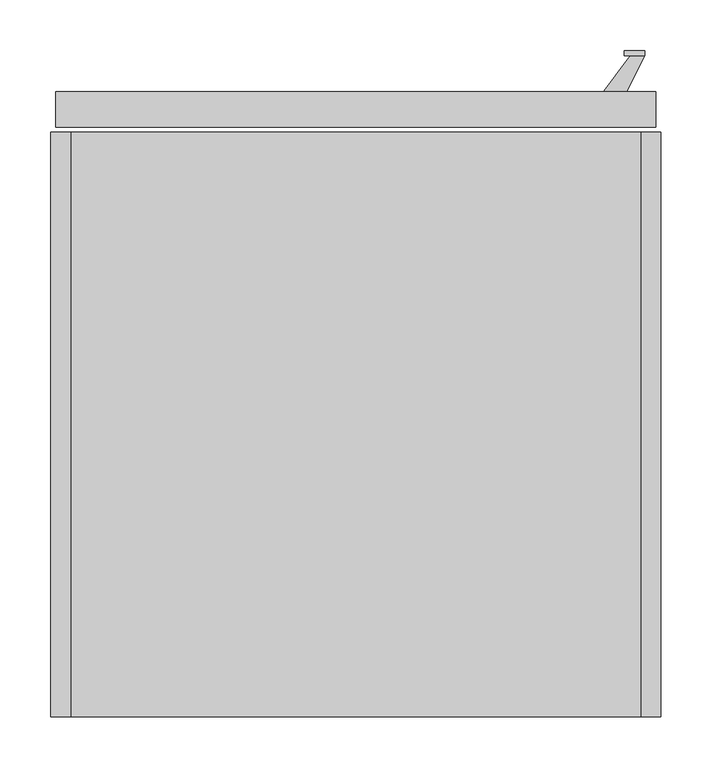
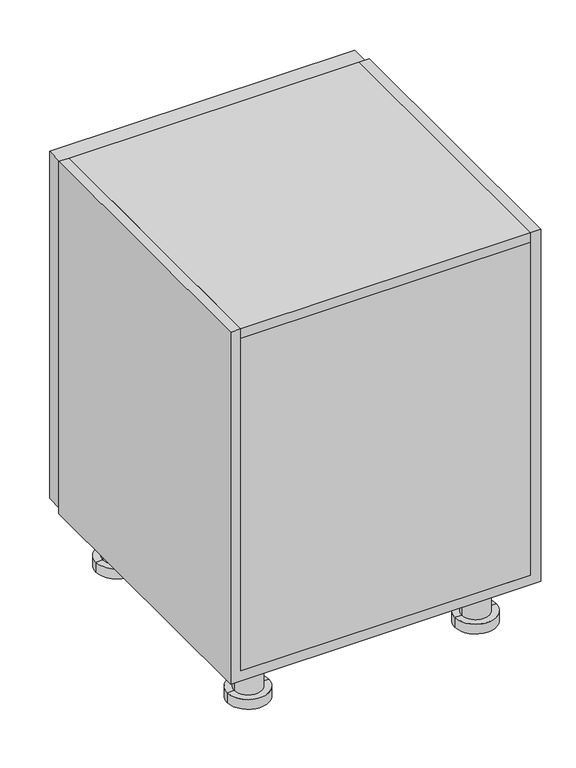
"""IFC4 building model written with IfcOpenShell, lengths in millimetres: furniture geometry."""

from ifc_helpers import new_model, si_unit, frame, origin, place, context, project, spatial, polyline, circle_curve, outline, extrude, faceted_brep, source, transform, mapped, element, save
from ifc_brep_helpers import plane_surface, cylinder_surface, advanced_brep


def furniture_c9ca77d0(model_context):
    return source(origin(), model_context, "Body", "SolidModel", [
        extrude(outline(polyline([(540.0, 610.0), (570.0, 650.2555661), (584.1369396, 650.2555661), (564.1369396, 610.0), (540.0, 610.0)])), frame((0.0, 0.0, 299.0), z_axis=(0.0, 0.0, 1.0), x_axis=(1.0, 0.0, 0.0)), (0.0, 0.0, 1.0), 12.0),
        extrude(outline(polyline([(540.0, 610.0), (570.0, 650.2555661), (584.1369396, 650.2555661), (564.1369396, 610.0), (540.0, 610.0)])), frame((0.0, 0.0, 409.0), z_axis=(0.0, 0.0, 1.0), x_axis=(1.0, 0.0, 0.0)), (0.0, 0.0, 1.0), 12.0),
        extrude(outline(polyline([(584.1369396, 655.2555661), (584.1369396, 650.2555661), (564.1369396, 650.2555661), (564.1369396, 655.2555661), (584.1369396, 655.2555661)])), frame((0.0, 0.0, 280.0), z_axis=(0.0, 0.0, 1.0), x_axis=(1.0, 0.0, 0.0)), (0.0, 0.0, 1.0), 160.0),
        advanced_brep(
        [(120.0, 520.0, 0.0), (40.0, 520.0, 0.0), (80.0, 520.0, 0.0), (120.0, 520.0, -20.0), (40.0, 520.0, -20.0), (106.6666667, 520.0, -20.0), (53.3333333, 520.0, -20.0), (106.6666667, 520.0, -80.0), (53.3333333, 520.0, -80.0), (120.0, 520.0, -80.0), (40.0, 520.0, -80.0), (120.0, 520.0, -100.0), (40.0, 520.0, -100.0), (80.0, 520.0, -100.0)],
        [
            (0, 1, circle_curve(frame((80.0, 520.0, 0.0), z_axis=(0.0, 0.0, 1.0), x_axis=(-1.0, 0.0, 0.0)), 40.0)),
            (1, 2),
            (2, 0),
            (1, 0, circle_curve(frame((80.0, 520.0, 0.0), z_axis=(0.0, 0.0, 1.0), x_axis=(-1.0, 0.0, 0.0)), 40.0)),
            (3, 4, circle_curve(frame((80.0, 520.0, -20.0), z_axis=(0.0, 0.0, 1.0), x_axis=(-1.0, 0.0, 0.0)), 40.0)),
            (4, 1),
            (0, 3),
            (4, 3, circle_curve(frame((80.0, 520.0, -20.0), z_axis=(0.0, 0.0, 1.0), x_axis=(-1.0, 0.0, 0.0)), 40.0)),
            (5, 6, circle_curve(frame((80.0, 520.0, -20.0), z_axis=(0.0, 0.0, 1.0), x_axis=(-1.0, 0.0, 0.0)), 26.6666667)),
            (6, 4),
            (3, 5),
            (6, 5, circle_curve(frame((80.0, 520.0, -20.0), z_axis=(0.0, 0.0, 1.0), x_axis=(-1.0, 0.0, 0.0)), 26.6666667)),
            (7, 8, circle_curve(frame((80.0, 520.0, -80.0), z_axis=(0.0, 0.0, 1.0), x_axis=(-1.0, 0.0, 0.0)), 26.6666667)),
            (8, 6),
            (5, 7),
            (8, 7, circle_curve(frame((80.0, 520.0, -80.0), z_axis=(0.0, 0.0, 1.0), x_axis=(-1.0, 0.0, 0.0)), 26.6666667)),
            (9, 10, circle_curve(frame((80.0, 520.0, -80.0), z_axis=(0.0, 0.0, 1.0), x_axis=(-1.0, 0.0, 0.0)), 40.0)),
            (10, 8),
            (7, 9),
            (10, 9, circle_curve(frame((80.0, 520.0, -80.0), z_axis=(0.0, 0.0, 1.0), x_axis=(-1.0, 0.0, 0.0)), 40.0)),
            (11, 12, circle_curve(frame((80.0, 520.0, -100.0), z_axis=(0.0, 0.0, 1.0), x_axis=(-1.0, 0.0, 0.0)), 40.0)),
            (12, 10),
            (9, 11),
            (12, 11, circle_curve(frame((80.0, 520.0, -100.0), z_axis=(0.0, 0.0, 1.0), x_axis=(-1.0, 0.0, 0.0)), 40.0)),
            (13, 12),
            (11, 13),
        ],
        [
            plane_surface(frame((80.0, 520.0, 0.0), z_axis=(0.0, 0.0, 1.0), x_axis=(-1.0, 0.0, 0.0))),
            cylinder_surface(frame((80.0, 520.0, -135.0), z_axis=(0.0, 0.0, -1.0), x_axis=(-1.0, 0.0, 0.0)), 40.0),
            plane_surface(frame((80.0, 520.0, -20.0), z_axis=(0.0, 0.0, -1.0), x_axis=(-1.0, 0.0, 0.0))),
            cylinder_surface(frame((80.0, 520.0, -135.0), z_axis=(0.0, 0.0, -1.0), x_axis=(-1.0, 0.0, 0.0)), 26.6666667),
            plane_surface(frame((80.0, 520.0, -80.0), z_axis=(0.0, 0.0, 1.0), x_axis=(-1.0, 0.0, 0.0))),
            plane_surface(frame((80.0, 520.0, -100.0), z_axis=(0.0, 0.0, -1.0), x_axis=(-1.0, 0.0, 0.0))),
        ],
        [
            (0, [[1, 2, 3]]),
            (0, [[4, -3, -2]]),
            (1, [[5, 6, -1, 7]]),
            (1, [[8, -7, -4, -6]]),
            (2, [[9, 10, -5, 11]]),
            (2, [[12, -11, -8, -10]]),
            (3, [[13, 14, -9, 15]]),
            (3, [[16, -15, -12, -14]]),
            (4, [[17, 18, -13, 19]]),
            (4, [[20, -19, -16, -18]]),
            (1, [[21, 22, -17, 23]]),
            (1, [[24, -23, -20, -22]]),
            (5, [[25, -21, 26]]),
            (5, [[-26, -24, -25]]),
        ],
    ),
        advanced_brep(
        [(560.0, 520.0, 0.0), (480.0, 520.0, 0.0), (520.0, 520.0, 0.0), (560.0, 520.0, -20.0), (480.0, 520.0, -20.0), (546.6666667, 520.0, -20.0), (493.3333333, 520.0, -20.0), (546.6666667, 520.0, -80.0), (493.3333333, 520.0, -80.0), (560.0, 520.0, -80.0), (480.0, 520.0, -80.0), (560.0, 520.0, -100.0), (480.0, 520.0, -100.0), (520.0, 520.0, -100.0)],
        [
            (0, 1, circle_curve(frame((520.0, 520.0, 0.0), z_axis=(0.0, 0.0, 1.0), x_axis=(-1.0, 0.0, 0.0)), 40.0)),
            (1, 2),
            (2, 0),
            (1, 0, circle_curve(frame((520.0, 520.0, 0.0), z_axis=(0.0, 0.0, 1.0), x_axis=(-1.0, 0.0, 0.0)), 40.0)),
            (3, 4, circle_curve(frame((520.0, 520.0, -20.0), z_axis=(0.0, 0.0, 1.0), x_axis=(-1.0, 0.0, 0.0)), 40.0)),
            (4, 1),
            (0, 3),
            (4, 3, circle_curve(frame((520.0, 520.0, -20.0), z_axis=(0.0, 0.0, 1.0), x_axis=(-1.0, 0.0, 0.0)), 40.0)),
            (5, 6, circle_curve(frame((520.0, 520.0, -20.0), z_axis=(0.0, 0.0, 1.0), x_axis=(-1.0, 0.0, 0.0)), 26.6666667)),
            (6, 4),
            (3, 5),
            (6, 5, circle_curve(frame((520.0, 520.0, -20.0), z_axis=(0.0, 0.0, 1.0), x_axis=(-1.0, 0.0, 0.0)), 26.6666667)),
            (7, 8, circle_curve(frame((520.0, 520.0, -80.0), z_axis=(0.0, 0.0, 1.0), x_axis=(-1.0, 0.0, 0.0)), 26.6666667)),
            (8, 6),
            (5, 7),
            (8, 7, circle_curve(frame((520.0, 520.0, -80.0), z_axis=(0.0, 0.0, 1.0), x_axis=(-1.0, 0.0, 0.0)), 26.6666667)),
            (9, 10, circle_curve(frame((520.0, 520.0, -80.0), z_axis=(0.0, 0.0, 1.0), x_axis=(-1.0, 0.0, 0.0)), 40.0)),
            (10, 8),
            (7, 9),
            (10, 9, circle_curve(frame((520.0, 520.0, -80.0), z_axis=(0.0, 0.0, 1.0), x_axis=(-1.0, 0.0, 0.0)), 40.0)),
            (11, 12, circle_curve(frame((520.0, 520.0, -100.0), z_axis=(0.0, 0.0, 1.0), x_axis=(-1.0, 0.0, 0.0)), 40.0)),
            (12, 10),
            (9, 11),
            (12, 11, circle_curve(frame((520.0, 520.0, -100.0), z_axis=(0.0, 0.0, 1.0), x_axis=(-1.0, 0.0, 0.0)), 40.0)),
            (13, 12),
            (11, 13),
        ],
        [
            plane_surface(frame((520.0, 520.0, 0.0), z_axis=(0.0, 0.0, 1.0), x_axis=(-1.0, 0.0, 0.0))),
            cylinder_surface(frame((520.0, 520.0, -135.0), z_axis=(0.0, 0.0, -1.0), x_axis=(-1.0, 0.0, 0.0)), 40.0),
            plane_surface(frame((520.0, 520.0, -20.0), z_axis=(0.0, 0.0, -1.0), x_axis=(-1.0, 0.0, 0.0))),
            cylinder_surface(frame((520.0, 520.0, -135.0), z_axis=(0.0, 0.0, -1.0), x_axis=(-1.0, 0.0, 0.0)), 26.6666667),
            plane_surface(frame((520.0, 520.0, -80.0), z_axis=(0.0, 0.0, 1.0), x_axis=(-1.0, 0.0, 0.0))),
            plane_surface(frame((520.0, 520.0, -100.0), z_axis=(0.0, 0.0, -1.0), x_axis=(-1.0, 0.0, 0.0))),
        ],
        [
            (0, [[1, 2, 3]]),
            (0, [[4, -3, -2]]),
            (1, [[5, 6, -1, 7]]),
            (1, [[8, -7, -4, -6]]),
            (2, [[9, 10, -5, 11]]),
            (2, [[12, -11, -8, -10]]),
            (3, [[13, 14, -9, 15]]),
            (3, [[16, -15, -12, -14]]),
            (4, [[17, 18, -13, 19]]),
            (4, [[20, -19, -16, -18]]),
            (1, [[21, 22, -17, 23]]),
            (1, [[24, -23, -20, -22]]),
            (5, [[25, -21, 26]]),
            (5, [[-26, -24, -25]]),
        ],
    ),
        advanced_brep(
        [(120.0, 80.0, 0.0), (40.0, 80.0, 0.0), (80.0, 80.0, 0.0), (120.0, 80.0, -20.0), (40.0, 80.0, -20.0), (106.6666667, 80.0, -20.0), (53.3333333, 80.0, -20.0), (106.6666667, 80.0, -80.0), (53.3333333, 80.0, -80.0), (120.0, 80.0, -80.0), (40.0, 80.0, -80.0), (120.0, 80.0, -100.0), (40.0, 80.0, -100.0), (80.0, 80.0, -100.0)],
        [
            (0, 1, circle_curve(frame((80.0, 80.0, 0.0), z_axis=(0.0, 0.0, 1.0), x_axis=(-1.0, 0.0, 0.0)), 40.0)),
            (1, 2),
            (2, 0),
            (1, 0, circle_curve(frame((80.0, 80.0, 0.0), z_axis=(0.0, 0.0, 1.0), x_axis=(-1.0, 0.0, 0.0)), 40.0)),
            (3, 4, circle_curve(frame((80.0, 80.0, -20.0), z_axis=(0.0, 0.0, 1.0), x_axis=(-1.0, 0.0, 0.0)), 40.0)),
            (4, 1),
            (0, 3),
            (4, 3, circle_curve(frame((80.0, 80.0, -20.0), z_axis=(0.0, 0.0, 1.0), x_axis=(-1.0, 0.0, 0.0)), 40.0)),
            (5, 6, circle_curve(frame((80.0, 80.0, -20.0), z_axis=(0.0, 0.0, 1.0), x_axis=(-1.0, 0.0, 0.0)), 26.6666667)),
            (6, 4),
            (3, 5),
            (6, 5, circle_curve(frame((80.0, 80.0, -20.0), z_axis=(0.0, 0.0, 1.0), x_axis=(-1.0, 0.0, 0.0)), 26.6666667)),
            (7, 8, circle_curve(frame((80.0, 80.0, -80.0), z_axis=(0.0, 0.0, 1.0), x_axis=(-1.0, 0.0, 0.0)), 26.6666667)),
            (8, 6),
            (5, 7),
            (8, 7, circle_curve(frame((80.0, 80.0, -80.0), z_axis=(0.0, 0.0, 1.0), x_axis=(-1.0, 0.0, 0.0)), 26.6666667)),
            (9, 10, circle_curve(frame((80.0, 80.0, -80.0), z_axis=(0.0, 0.0, 1.0), x_axis=(-1.0, 0.0, 0.0)), 40.0)),
            (10, 8),
            (7, 9),
            (10, 9, circle_curve(frame((80.0, 80.0, -80.0), z_axis=(0.0, 0.0, 1.0), x_axis=(-1.0, 0.0, 0.0)), 40.0)),
            (11, 12, circle_curve(frame((80.0, 80.0, -100.0), z_axis=(0.0, 0.0, 1.0), x_axis=(-1.0, 0.0, 0.0)), 40.0)),
            (12, 10),
            (9, 11),
            (12, 11, circle_curve(frame((80.0, 80.0, -100.0), z_axis=(0.0, 0.0, 1.0), x_axis=(-1.0, 0.0, 0.0)), 40.0)),
            (13, 12),
            (11, 13),
        ],
        [
            plane_surface(frame((80.0, 80.0, 0.0), z_axis=(0.0, 0.0, 1.0), x_axis=(-1.0, 0.0, 0.0))),
            cylinder_surface(frame((80.0, 80.0, -135.0), z_axis=(0.0, 0.0, -1.0), x_axis=(-1.0, 0.0, 0.0)), 40.0),
            plane_surface(frame((80.0, 80.0, -20.0), z_axis=(0.0, 0.0, -1.0), x_axis=(-1.0, 0.0, 0.0))),
            cylinder_surface(frame((80.0, 80.0, -135.0), z_axis=(0.0, 0.0, -1.0), x_axis=(-1.0, 0.0, 0.0)), 26.6666667),
            plane_surface(frame((80.0, 80.0, -80.0), z_axis=(0.0, 0.0, 1.0), x_axis=(-1.0, 0.0, 0.0))),
            plane_surface(frame((80.0, 80.0, -100.0), z_axis=(0.0, 0.0, -1.0), x_axis=(-1.0, 0.0, 0.0))),
        ],
        [
            (0, [[1, 2, 3]]),
            (0, [[4, -3, -2]]),
            (1, [[5, 6, -1, 7]]),
            (1, [[8, -7, -4, -6]]),
            (2, [[9, 10, -5, 11]]),
            (2, [[12, -11, -8, -10]]),
            (3, [[13, 14, -9, 15]]),
            (3, [[16, -15, -12, -14]]),
            (4, [[17, 18, -13, 19]]),
            (4, [[20, -19, -16, -18]]),
            (1, [[21, 22, -17, 23]]),
            (1, [[24, -23, -20, -22]]),
            (5, [[25, -21, 26]]),
            (5, [[-26, -24, -25]]),
        ],
    ),
        advanced_brep(
        [(560.0, 80.0, 0.0), (480.0, 80.0, 0.0), (520.0, 80.0, 0.0), (560.0, 80.0, -20.0), (480.0, 80.0, -20.0), (546.6666667, 80.0, -20.0), (493.3333333, 80.0, -20.0), (546.6666667, 80.0, -80.0), (493.3333333, 80.0, -80.0), (560.0, 80.0, -80.0), (480.0, 80.0, -80.0), (560.0, 80.0, -100.0), (480.0, 80.0, -100.0), (520.0, 80.0, -100.0)],
        [
            (0, 1, circle_curve(frame((520.0, 80.0, 0.0), z_axis=(0.0, 0.0, 1.0), x_axis=(-1.0, 0.0, 0.0)), 40.0)),
            (1, 2),
            (2, 0),
            (1, 0, circle_curve(frame((520.0, 80.0, 0.0), z_axis=(0.0, 0.0, 1.0), x_axis=(-1.0, 0.0, 0.0)), 40.0)),
            (3, 4, circle_curve(frame((520.0, 80.0, -20.0), z_axis=(0.0, 0.0, 1.0), x_axis=(-1.0, 0.0, 0.0)), 40.0)),
            (4, 1),
            (0, 3),
            (4, 3, circle_curve(frame((520.0, 80.0, -20.0), z_axis=(0.0, 0.0, 1.0), x_axis=(-1.0, 0.0, 0.0)), 40.0)),
            (5, 6, circle_curve(frame((520.0, 80.0, -20.0), z_axis=(0.0, 0.0, 1.0), x_axis=(-1.0, 0.0, 0.0)), 26.6666667)),
            (6, 4),
            (3, 5),
            (6, 5, circle_curve(frame((520.0, 80.0, -20.0), z_axis=(0.0, 0.0, 1.0), x_axis=(-1.0, 0.0, 0.0)), 26.6666667)),
            (7, 8, circle_curve(frame((520.0, 80.0, -80.0), z_axis=(0.0, 0.0, 1.0), x_axis=(-1.0, 0.0, 0.0)), 26.6666667)),
            (8, 6),
            (5, 7),
            (8, 7, circle_curve(frame((520.0, 80.0, -80.0), z_axis=(0.0, 0.0, 1.0), x_axis=(-1.0, 0.0, 0.0)), 26.6666667)),
            (9, 10, circle_curve(frame((520.0, 80.0, -80.0), z_axis=(0.0, 0.0, 1.0), x_axis=(-1.0, 0.0, 0.0)), 40.0)),
            (10, 8),
            (7, 9),
            (10, 9, circle_curve(frame((520.0, 80.0, -80.0), z_axis=(0.0, 0.0, 1.0), x_axis=(-1.0, 0.0, 0.0)), 40.0)),
            (11, 12, circle_curve(frame((520.0, 80.0, -100.0), z_axis=(0.0, 0.0, 1.0), x_axis=(-1.0, 0.0, 0.0)), 40.0)),
            (12, 10),
            (9, 11),
            (12, 11, circle_curve(frame((520.0, 80.0, -100.0), z_axis=(0.0, 0.0, 1.0), x_axis=(-1.0, 0.0, 0.0)), 40.0)),
            (13, 12),
            (11, 13),
        ],
        [
            plane_surface(frame((520.0, 80.0, 0.0), z_axis=(0.0, 0.0, 1.0), x_axis=(-1.0, 0.0, 0.0))),
            cylinder_surface(frame((520.0, 80.0, -135.0), z_axis=(0.0, 0.0, -1.0), x_axis=(-1.0, 0.0, 0.0)), 40.0),
            plane_surface(frame((520.0, 80.0, -20.0), z_axis=(0.0, 0.0, -1.0), x_axis=(-1.0, 0.0, 0.0))),
            cylinder_surface(frame((520.0, 80.0, -135.0), z_axis=(0.0, 0.0, -1.0), x_axis=(-1.0, 0.0, 0.0)), 26.6666667),
            plane_surface(frame((520.0, 80.0, -80.0), z_axis=(0.0, 0.0, 1.0), x_axis=(-1.0, 0.0, 0.0))),
            plane_surface(frame((520.0, 80.0, -100.0), z_axis=(0.0, 0.0, -1.0), x_axis=(-1.0, 0.0, 0.0))),
        ],
        [
            (0, [[1, 2, 3]]),
            (0, [[4, -3, -2]]),
            (1, [[5, 6, -1, 7]]),
            (1, [[8, -7, -4, -6]]),
            (2, [[9, 10, -5, 11]]),
            (2, [[12, -11, -8, -10]]),
            (3, [[13, 14, -9, 15]]),
            (3, [[16, -15, -12, -14]]),
            (4, [[17, 18, -13, 19]]),
            (4, [[20, -19, -16, -18]]),
            (1, [[21, 22, -17, 23]]),
            (1, [[24, -23, -20, -22]]),
            (5, [[25, -21, 26]]),
            (5, [[-26, -24, -25]]),
        ],
    ),
        extrude(outline(polyline([(580.0, 5.0), (20.0, 5.0), (20.0, 575.0), (580.0, 575.0), (580.0, 5.0)])), frame((0.0, 0.0, 360.0), z_axis=(0.0, 0.0, 1.0), x_axis=(1.0, 0.0, 0.0)), (0.0, 0.0, 1.0), 20.0),
        extrude(outline(polyline([(580.0, 0.0), (20.0, 0.0), (20.0, 575.0), (580.0, 575.0), (580.0, 0.0)])), frame((0.0, 0.0, 700.0), z_axis=(0.0, 0.0, 1.0), x_axis=(1.0, 0.0, 0.0)), (0.0, 0.0, 1.0), 20.0),
        extrude(outline(polyline([(580.0, 0.0), (20.0, 0.0), (20.0, 5.0), (580.0, 5.0), (580.0, 0.0)])), frame((0.0, 0.0, 20.0), z_axis=(0.0, 0.0, 1.0), x_axis=(1.0, 0.0, 0.0)), (0.0, 0.0, 1.0), 680.0),
        extrude(outline(polyline([(720.0, 20.0), (720.0, 0.0), (0.0, 0.0), (0.0, 600.0), (720.0, 600.0), (720.0, 580.0), (20.0, 580.0), (20.0, 20.0), (720.0, 20.0)])), frame((0.0, 0.0, 0.0), z_axis=(0.0, 1.0, 0.0), x_axis=(0.0, 0.0, 1.0)), (0.0, 0.0, 1.0), 575.0),
        extrude(outline(polyline([(530.0, 580.0), (70.0, 580.0), (70.0, 600.0), (530.0, 600.0), (530.0, 580.0)])), frame((0.0, 0.0, 70.0), z_axis=(0.0, 0.0, 1.0), x_axis=(1.0, 0.0, 0.0)), (0.0, 0.0, 1.0), 580.0),
        faceted_brep([(540.0, 605.0, 660.0), (540.0, 610.0, 660.0), (540.0, 610.0, 60.0), (540.0, 605.0, 60.0), (567.5, 610.0, 687.5), (567.5, 615.0, 687.5), (567.5, 615.0, 32.5), (567.5, 610.0, 32.5), (595.0, 615.0, 715.0), (595.0, 580.0, 715.0), (595.0, 580.0, 5.0), (595.0, 615.0, 5.0), (530.0, 580.0, 650.0), (530.0, 605.0, 650.0), (530.0, 605.0, 70.0), (530.0, 580.0, 70.0), (60.0, 610.0, 60.0), (60.0, 605.0, 60.0), (32.5, 615.0, 32.5), (32.5, 610.0, 32.5), (5.0, 580.0, 5.0), (5.0, 615.0, 5.0), (70.0, 605.0, 70.0), (70.0, 580.0, 70.0), (60.0, 610.0, 660.0), (60.0, 605.0, 660.0), (32.5, 615.0, 687.5), (32.5, 610.0, 687.5), (5.0, 580.0, 715.0), (5.0, 615.0, 715.0), (70.0, 605.0, 650.0), (70.0, 580.0, 650.0)], [[[0, 1, 2, 3]], [[4, 5, 6, 7]], [[8, 9, 10, 11]], [[12, 13, 14, 15]], [[3, 2, 16, 17]], [[7, 6, 18, 19]], [[11, 10, 20, 21]], [[15, 14, 22, 23]], [[17, 16, 24, 25]], [[19, 18, 26, 27]], [[21, 20, 28, 29]], [[23, 22, 30, 31]], [[25, 24, 1, 0]], [[7, 19, 27, 4], [1, 24, 16, 2]], [[27, 26, 5, 4]], [[11, 21, 29, 8], [5, 26, 18, 6]], [[29, 28, 9, 8]], [[9, 28, 20, 10], [15, 23, 31, 12]], [[31, 30, 13, 12]], [[3, 17, 25, 0], [13, 30, 22, 14]]]),
    ])


if __name__ == "__main__":
    model = new_model("IFC4")
    model_context = context("Model", 3, world=origin())
    ifc_project = project(units=[si_unit("LENGTHUNIT", "METRE", prefix="MILLI")], contexts=[model_context])
    site = spatial("IfcSite", under=ifc_project)
    building = spatial("IfcBuilding", under=site)
    placement = place(None, origin())
    furniture_shape = furniture_c9ca77d0(model_context)
    element("IfcFurniture", 1, at=placement, inside=building, context=model_context, shape_type="MappedRepresentation", body=[
        mapped(furniture_shape, transform((0.0, 0.0, 0.0), x_axis=(1.0, 0.0, 0.0), y_axis=(0.0, 1.0, 0.0), z_axis=(0.0, 0.0, 1.0))),
    ])
    save(model, "model.ifc")
